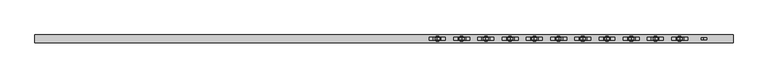
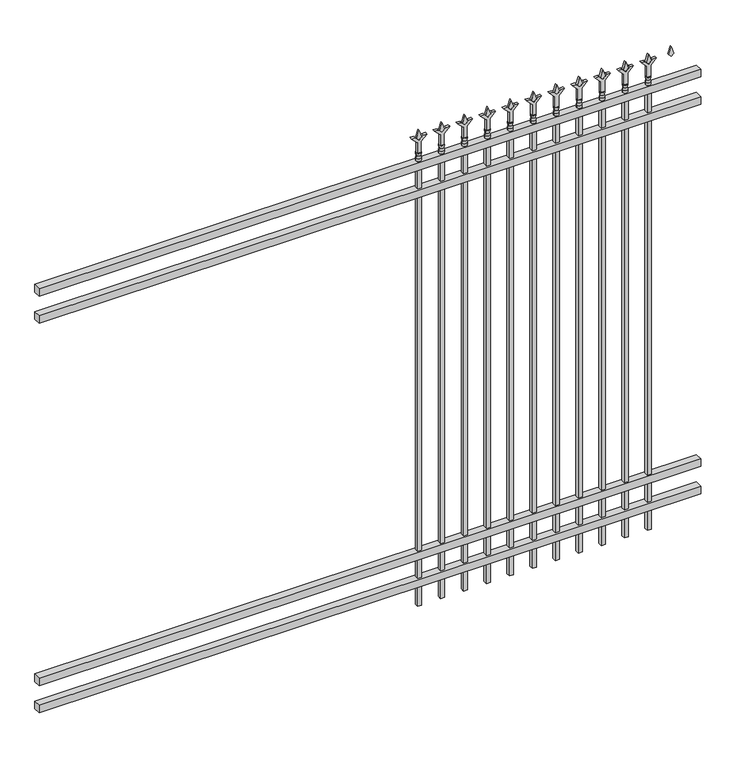
"""IFC4 building model written with IfcOpenShell, lengths in millimetres: railing geometry."""

import ifcopenshell
import ifcopenshell.guid

model = None  # the IFC model being written
_history = None  # IfcOwnerHistory: only IFC2X3 demands one
_inside = {}  # id of a spatial element -> (the spatial element, [elements in it])
_under = {}  # id of a project, library or spatial element -> (it, [spatial elements below it])
_declared = {}  # id of a project -> (the project, [libraries it declares])
_typed = {}  # id of a type object -> (the type object, [elements of that type])
_made_of = {}  # id of a material, layer set ... -> (it, [elements and type objects made of it])


def new_model(schema):
    """Start an empty IFC model of exactly this schema.

    Asked for "IFC4X3", IfcOpenShell would pick the latest addendum, in which some entities
    have other attributes; the version numbers below select the first issue.
    IFC2X3 requires an IfcOwnerHistory on every rooted entity: one is made here for all.
    """
    global model, _history
    if schema == "IFC4X3":
        model = ifcopenshell.file(schema_version=(4, 3, 0, 0))
    else:
        model = ifcopenshell.file(schema=schema)
    _inside.clear()
    _under.clear()
    _declared.clear()
    _typed.clear()
    _made_of.clear()
    _history = None
    if model.schema == "IFC2X3":
        org = make("IfcOrganization", Name="unknown")
        user = make(
            "IfcPersonAndOrganization",
            ThePerson=make("IfcPerson", FamilyName="unknown"),
            TheOrganization=org,
        )
        app = make(
            "IfcApplication",
            ApplicationDeveloper=org,
            Version="unknown",
            ApplicationFullName="unknown",
            ApplicationIdentifier="unknown",
        )
        _history = make(
            "IfcOwnerHistory",
            OwningUser=user,
            OwningApplication=app,
            ChangeAction="ADDED",
            CreationDate=0,
        )
    return model


def make(cls, **values):
    """One entity of the class cls with the attributes given. An attribute that is None is left unset."""
    return model.create_entity(
        cls, **{name: value for name, value in values.items() if value is not None}
    )


def rooted(cls, **values):
    """An entity with a GlobalId (a new one), such as an element, a storey or a relation."""
    return make(cls, GlobalId=ifcopenshell.guid.new(), OwnerHistory=_history, **values)


def si_unit(unit_type, name, prefix=None):
    """IfcSIUnit, for example si_unit("LENGTHUNIT", "METRE", prefix="MILLI")."""
    return make("IfcSIUnit", UnitType=unit_type, Prefix=prefix, Name=name)


def assignment(units):
    """IfcUnitAssignment: the units of a project."""
    return None if units is None else make("IfcUnitAssignment", Units=units)


def point(xyz):
    """IfcCartesianPoint."""
    return None if xyz is None else make("IfcCartesianPoint", Coordinates=xyz)


def direction(xyz):
    """IfcDirection."""
    return None if xyz is None else make("IfcDirection", DirectionRatios=xyz)


def frame(location, z_axis=None, x_axis=None):
    """IfcAxis2Placement3D, a coordinate frame: its origin and axes. An axis left out is left unset."""
    return make(
        "IfcAxis2Placement3D",
        Location=point(location),
        Axis=direction(z_axis),
        RefDirection=direction(x_axis),
    )


def origin():
    """The frame at (0, 0, 0) with its axes left unset."""
    return frame((0.0, 0.0, 0.0))


def place(relative_to, where):
    """IfcLocalPlacement: puts the frame where relative to a parent placement (None: the world)."""
    return make(
        "IfcLocalPlacement", PlacementRelTo=relative_to, RelativePlacement=where
    )


def context(
    kind, dimensions, precision=None, world=None, true_north=None, identifier=None
):
    """IfcGeometricRepresentationContext, for example the 3D "Model" context."""
    return make(
        "IfcGeometricRepresentationContext",
        ContextIdentifier=identifier,
        ContextType=kind,
        CoordinateSpaceDimension=dimensions,
        Precision=precision,
        WorldCoordinateSystem=world,
        TrueNorth=true_north,
    )


def project(units=None, contexts=None):
    """IfcProject with its units and contexts."""
    return rooted(
        "IfcProject",
        Name="project",
        RepresentationContexts=contexts,
        UnitsInContext=assignment(units),
    )


def spatial(cls, under=None, at=None, **own):
    """A site, building, storey or space (cls), placed at a placement, below another one or the project."""
    s = rooted(cls, ObjectPlacement=at, **own)
    if under is not None:
        _under.setdefault(under.id(), (under, []))[1].append(s)
    return s


def polyline(points):
    """IfcPolyline through the points."""
    return make("IfcPolyline", Points=[point(p) for p in points])


def circle_curve(where, radius):
    """IfcCircle in the frame where."""
    return make("IfcCircle", Position=where, Radius=radius)


def outline(outer, holes=None, kind="AREA"):
    """IfcArbitraryClosedProfileDef: a profile drawn as a closed curve; with holes, ...WithVoids."""
    if holes is None:
        return make("IfcArbitraryClosedProfileDef", ProfileType=kind, OuterCurve=outer)
    return make(
        "IfcArbitraryProfileDefWithVoids",
        ProfileType=kind,
        OuterCurve=outer,
        InnerCurves=holes,
    )


def extrude(swept, where, along, depth):
    """IfcExtrudedAreaSolid: the profile swept, set in the frame where, extruded along a direction by depth."""
    return make(
        "IfcExtrudedAreaSolid",
        SweptArea=swept,
        Position=where,
        ExtrudedDirection=direction(along),
        Depth=depth,
    )


def shape(context_of_items, identifier, shape_type, items):
    """IfcShapeRepresentation: the items that make up one representation, for example the "Body"."""
    return make(
        "IfcShapeRepresentation",
        ContextOfItems=context_of_items,
        RepresentationIdentifier=identifier,
        RepresentationType=shape_type,
        Items=items,
    )


def source(mapping_origin, context_of_items, identifier, shape_type, items):
    """IfcRepresentationMap: a shape defined once, which mapped items show again and again."""
    return make(
        "IfcRepresentationMap",
        MappingOrigin=mapping_origin,
        MappedRepresentation=shape(context_of_items, identifier, shape_type, items),
    )


def transform(
    local_origin,
    x_axis=None,
    y_axis=None,
    z_axis=None,
    scale=None,
    scale2=None,
    scale3=None,
    uniform=True,
):
    """IfcCartesianTransformationOperator3D, or its non-uniform kind. x_axis, y_axis, z_axis: its Axis1, 2, 3."""
    if uniform:
        return make(
            "IfcCartesianTransformationOperator3D",
            Axis1=direction(x_axis),
            Axis2=direction(y_axis),
            LocalOrigin=point(local_origin),
            Scale=scale,
            Axis3=direction(z_axis),
        )
    return make(
        "IfcCartesianTransformationOperator3DnonUniform",
        Axis1=direction(x_axis),
        Axis2=direction(y_axis),
        LocalOrigin=point(local_origin),
        Scale=scale,
        Axis3=direction(z_axis),
        Scale2=scale2,
        Scale3=scale3,
    )


def mapped(mapping_source, mapping_target):
    """IfcMappedItem: shows the shape of a source again, moved by a transform."""
    return make(
        "IfcMappedItem", MappingSource=mapping_source, MappingTarget=mapping_target
    )


def made_of(thing, what):
    """Note that an element or type object is made of a material, layer set ...; save() writes the relation."""
    if what is not None:
        _made_of.setdefault(what.id(), (what, []))[1].append(thing)
    return thing


def element(
    cls,
    number,
    at=None,
    inside=None,
    cuts=None,
    type_object=None,
    material=None,
    context=None,
    identifier="Body",
    shape_type=None,
    held_by="IfcProductDefinitionShape",
    body=None,
    shapes=None,
    **own,
):
    """One element of the class cls, such as IfcWall. Its Tag is "e" and its number.

    at: its placement. inside: the storey or other place that contains it. cuts: it is an
    opening in that element (IfcRelVoidsElement). A single representation is given by context,
    identifier, shape_type and body (its items); several are given by shapes. held_by: the class
    of the entity that holds the representations. save() writes the other relations.
    """
    e = rooted(cls, Tag="e%d" % number, ObjectPlacement=at, **own)
    if body is not None:
        shapes = [shape(context, identifier, shape_type, body)]
    if shapes is not None:
        e.Representation = make(held_by, Representations=shapes)
    if inside is not None:
        _inside.setdefault(inside.id(), (inside, []))[1].append(e)
    if cuts is not None:
        rooted(
            "IfcRelVoidsElement", RelatingBuildingElement=cuts, RelatedOpeningElement=e
        )
    if type_object is not None:
        _typed.setdefault(type_object.id(), (type_object, []))[1].append(e)
    return made_of(e, material)


def aggregate(whole, parts):
    """IfcRelAggregates: a whole, such as a stair, and the parts it consists of."""
    return rooted("IfcRelAggregates", RelatingObject=whole, RelatedObjects=parts)


def save(model, path):
    """Write the relations noted so far, then the file.

    IfcRelAggregates (storeys below a building ...), IfcRelContainedInSpatialStructure (elements
    in a storey), IfcRelDefinesByType, IfcRelAssociatesMaterial and IfcRelDeclares: one each for
    every whole, place, type object, material and project.
    """
    for whole, parts in _under.values():
        aggregate(whole, parts)
    for where, things in _inside.values():
        rooted(
            "IfcRelContainedInSpatialStructure",
            RelatedElements=things,
            RelatingStructure=where,
        )
    for kind, things in _typed.values():
        rooted("IfcRelDefinesByType", RelatedObjects=things, RelatingType=kind)
    for what, things in _made_of.values():
        rooted("IfcRelAssociatesMaterial", RelatedObjects=things, RelatingMaterial=what)
    for by, libraries in _declared.values():
        rooted("IfcRelDeclares", RelatingContext=by, RelatedDefinitions=libraries)
    model.write(path)


def plane_surface(at):
    """IfcPlane: the flat surface through the origin of the frame at, square to its z axis."""
    return make("IfcPlane", Position=at)


def cylinder_surface(at, radius):
    """IfcCylindricalSurface: all points at the distance radius from the z axis of the frame at."""
    return make("IfcCylindricalSurface", Position=at, Radius=radius)


def revolved_surface(curve, axis_point, axis_direction):
    """IfcSurfaceOfRevolution: the curve turned about the line through axis_point along axis_direction."""
    return make(
        "IfcSurfaceOfRevolution",
        SweptCurve=make("IfcArbitraryOpenProfileDef", ProfileType="CURVE", Curve=curve),
        AxisPosition=make("IfcAxis1Placement", Location=point(axis_point), Axis=direction(axis_direction)),
    )


def advanced_brep(points, edges, surfaces, faces):
    """IfcAdvancedBrep: a solid bounded by faces that lie on surfaces and meet in shared edges.

    An edge is (start, end): straight between two places in points (the first is 0);
    or (start, end, curve); or (start, end, curve, False) where it runs against its curve.
    A face is (place in surfaces, loops), or (place, loops, False) where it looks against
    its surface's normal. A loop lists edges by number (the first is 1), with a minus sign
    where the edge is run from its end to its start. The first loop is the outer one.
    """
    corners = [point(p) for p in points]
    vertices = [make("IfcVertexPoint", VertexGeometry=c) for c in corners]
    made = []
    for start, end, *more in edges:
        made.append(
            make(
                "IfcEdgeCurve",
                EdgeStart=vertices[start],
                EdgeEnd=vertices[end],
                EdgeGeometry=more[0] if more else make("IfcPolyline", Points=[corners[start], corners[end]]),
                SameSense=more[1] if len(more) > 1 else True,
            )
        )
    hull = []
    for where, loops, *sense in faces:
        bounds = []
        for j, loop in enumerate(loops):
            ring = [make("IfcOrientedEdge", EdgeElement=made[abs(k) - 1], Orientation=k > 0) for k in loop]
            bounds.append(
                make(
                    "IfcFaceOuterBound" if j == 0 else "IfcFaceBound",
                    Bound=make("IfcEdgeLoop", EdgeList=ring),
                    Orientation=True,
                )
            )
        hull.append(make("IfcAdvancedFace", Bounds=bounds, FaceSurface=surfaces[where], SameSense=sense[0] if sense else True))
    return make("IfcAdvancedBrep", Outer=make("IfcClosedShell", CfsFaces=hull))


def railing_9435c64b(model_context):
    return source(origin(), model_context, "Body", "SolidModel", [
        extrude(outline(polyline([(-55249.318087, -9187.1195174), (-55249.318087, -9152.1945174), (-52099.718087, -9152.1945174), (-52099.718087, -9187.1195174), (-55249.318087, -9187.1195174)])), frame((0.0, 0.0, 2247.9), z_axis=(0.0, 0.0, 1.0), x_axis=(1.0, 0.0, 0.0)), (0.0, 0.0, 1.0), 38.1),
        extrude(outline(polyline([(-55249.318087, -9187.1195174), (-55249.318087, -9152.1945174), (-52099.718087, -9152.1945174), (-52099.718087, -9187.1195174), (-55249.318087, -9187.1195174)])), frame((0.0, 0.0, 2111.375), z_axis=(0.0, 0.0, 1.0), x_axis=(1.0, 0.0, 0.0)), (0.0, 0.0, 1.0), 38.1),
        extrude(outline(polyline([(-55249.318087, -9187.1195174), (-55249.318087, -9152.1945174), (-52099.718087, -9152.1945174), (-52099.718087, -9187.1195174), (-55249.318087, -9187.1195174)])), frame((0.0, 0.0, 288.925), z_axis=(0.0, 0.0, 1.0), x_axis=(1.0, 0.0, 0.0)), (0.0, 0.0, 1.0), 38.1),
        extrude(outline(polyline([(-55249.318087, -9187.1195174), (-55249.318087, -9152.1945174), (-52099.718087, -9152.1945174), (-52099.718087, -9187.1195174), (-55249.318087, -9187.1195174)])), frame((0.0, 0.0, 152.4), z_axis=(0.0, 0.0, 1.0), x_axis=(1.0, 0.0, 0.0)), (0.0, 0.0, 1.0), 38.1),
        extrude(outline(polyline([(2402.68125, -52328.8472536), (2438.4, -52340.7535036), (2402.68125, -52352.6597536), (2390.775, -52340.7535036), (2402.68125, -52328.8472536)])), frame((0.0, -9174.4195174, 0.0), z_axis=(0.0, 1.0, 0.0), x_axis=(0.0, 0.0, 1.0)), (0.0, 0.0, 1.0), 9.525),
        extrude(outline(polyline([(2327.275, -52332.0222536), (2381.5457378, -52332.0222536), (2408.7355122, -52304.8324791), (2408.7355122, -52322.7929914), (2390.775, -52340.7535036), (2408.7355122, -52358.7140159), (2408.7355122, -52376.6745281), (2381.5457378, -52349.4847536), (2327.275, -52349.4847536), (2327.275, -52332.0222536)])), frame((0.0, -9176.0070174, 0.0), z_axis=(0.0, 1.0, 0.0), x_axis=(0.0, 0.0, 1.0)), (0.0, 0.0, 1.0), 12.7),
        advanced_brep(
        [(-52328.8472536, -9169.6570174, 2298.7), (-52352.6597536, -9169.6570174, 2298.7), (-52352.6597536, -9169.6570174, 2286.0), (-52328.8472536, -9169.6570174, 2286.0), (-52331.0525855, -9169.6570174, 2311.2070585), (-52350.4544218, -9169.6570174, 2311.2070585), (-52328.8472536, -9169.6570174, 2327.275), (-52352.6597536, -9169.6570174, 2327.275), (-52340.7535036, -9169.6570174, 2327.275), (-52340.7535036, -9169.6570174, 2286.0)],
        [
            (0, 1, circle_curve(frame((-52340.7535036, -9169.6570174, 2298.7), z_axis=(0.0, 0.0, -1.0), x_axis=(-1.0, 0.0, 0.0)), 11.90625)),
            (1, 2),
            (2, 3, circle_curve(frame((-52340.7535036, -9169.6570174, 2286.0), z_axis=(0.0, 0.0, 1.0), x_axis=(-1.0, 0.0, 0.0)), 11.90625)),
            (3, 0),
            (1, 0, circle_curve(frame((-52340.7535036, -9169.6570174, 2298.7), z_axis=(0.0, 0.0, -1.0), x_axis=(-1.0, 0.0, 0.0)), 11.90625)),
            (3, 2, circle_curve(frame((-52340.7535036, -9169.6570174, 2286.0), z_axis=(0.0, 0.0, 1.0), x_axis=(-1.0, 0.0, 0.0)), 11.90625)),
            (4, 5, circle_curve(frame((-52340.7535036, -9169.6570174, 2311.2070585), z_axis=(0.0, 0.0, -1.0), x_axis=(-1.0, 0.0, 0.0)), 9.7009181)),
            (5, 1),
            (0, 4),
            (5, 4, circle_curve(frame((-52340.7535036, -9169.6570174, 2311.2070585), z_axis=(0.0, 0.0, -1.0), x_axis=(-1.0, 0.0, 0.0)), 9.7009181)),
            (6, 7, circle_curve(frame((-52340.7535036, -9169.6570174, 2327.275), z_axis=(0.0, 0.0, -1.0), x_axis=(-1.0, 0.0, 0.0)), 11.90625)),
            (7, 5),
            (4, 6),
            (7, 6, circle_curve(frame((-52340.7535036, -9169.6570174, 2327.275), z_axis=(0.0, 0.0, -1.0), x_axis=(-1.0, 0.0, 0.0)), 11.90625)),
            (8, 7),
            (6, 8),
            (2, 9),
            (9, 3),
        ],
        [
            cylinder_surface(frame((-52340.7535036, -9169.6570174, 2286.0), z_axis=(0.0, 0.0, 1.0), x_axis=(-1.0, 0.0, 0.0)), 11.90625),
            revolved_surface(polyline([(-52352.6597536, -9169.6570174, 2298.7), (-52350.4544218, -9169.6570174, 2311.2070585)]), (-52340.7535036, -9169.6570174, 2286.0), (0.0, 0.0, 1.0)),
            revolved_surface(polyline([(-52350.4544218, -9169.6570174, 2311.2070585), (-52352.6597536, -9169.6570174, 2327.275)]), (-52340.7535036, -9169.6570174, 2286.0), (0.0, 0.0, 1.0)),
            plane_surface(frame((-52340.7535036, -9169.6570174, 2327.275), z_axis=(0.0, 0.0, 1.0), x_axis=(-1.0, 0.0, 0.0))),
            plane_surface(frame((-52340.7535036, -9169.6570174, 2286.0), z_axis=(0.0, 0.0, -1.0), x_axis=(-1.0, 0.0, 0.0))),
        ],
        [
            (0, [[1, 2, 3, 4]]),
            (0, [[5, -4, 6, -2]]),
            (1, [[7, 8, -1, 9]]),
            (1, [[10, -9, -5, -8]]),
            (2, [[11, 12, -7, 13]]),
            (2, [[14, -13, -10, -12]]),
            (3, [[15, -11, 16]]),
            (3, [[-16, -14, -15]]),
            (4, [[-3, 17, 18]]),
            (4, [[-6, -18, -17]]),
        ],
    ),
        extrude(outline(polyline([(-52350.2785036, -9160.1320174), (-52331.2285036, -9160.1320174), (-52331.2285036, -9179.1820174), (-52350.2785036, -9179.1820174), (-52350.2785036, -9160.1320174)])), frame((0.0, 0.0, 50.8), z_axis=(0.0, 0.0, 1.0), x_axis=(1.0, 0.0, 0.0)), (0.0, 0.0, 1.0), 2235.2),
        extrude(outline(polyline([(2402.68125, -52438.1201703), (2438.4, -52450.0264203), (2402.68125, -52461.9326703), (2390.775, -52450.0264203), (2402.68125, -52438.1201703)])), frame((0.0, -9174.4195174, 0.0), z_axis=(0.0, 1.0, 0.0), x_axis=(0.0, 0.0, 1.0)), (0.0, 0.0, 1.0), 9.525),
        extrude(outline(polyline([(2327.275, -52441.2951703), (2381.5457378, -52441.2951703), (2408.7355122, -52414.1053958), (2408.7355122, -52432.0659081), (2390.775, -52450.0264203), (2408.7355122, -52467.9869325), (2408.7355122, -52485.9474448), (2381.5457378, -52458.7576703), (2327.275, -52458.7576703), (2327.275, -52441.2951703)])), frame((0.0, -9176.0070174, 0.0), z_axis=(0.0, 1.0, 0.0), x_axis=(0.0, 0.0, 1.0)), (0.0, 0.0, 1.0), 12.7),
        advanced_brep(
        [(-52438.1201703, -9169.6570174, 2298.7), (-52461.9326703, -9169.6570174, 2298.7), (-52461.9326703, -9169.6570174, 2286.0), (-52438.1201703, -9169.6570174, 2286.0), (-52440.3255022, -9169.6570174, 2311.2070585), (-52459.7273384, -9169.6570174, 2311.2070585), (-52438.1201703, -9169.6570174, 2327.275), (-52461.9326703, -9169.6570174, 2327.275), (-52450.0264203, -9169.6570174, 2327.275), (-52450.0264203, -9169.6570174, 2286.0)],
        [
            (0, 1, circle_curve(frame((-52450.0264203, -9169.6570174, 2298.7), z_axis=(0.0, 0.0, -1.0), x_axis=(-1.0, 0.0, 0.0)), 11.90625)),
            (1, 2),
            (2, 3, circle_curve(frame((-52450.0264203, -9169.6570174, 2286.0), z_axis=(0.0, 0.0, 1.0), x_axis=(-1.0, 0.0, 0.0)), 11.90625)),
            (3, 0),
            (1, 0, circle_curve(frame((-52450.0264203, -9169.6570174, 2298.7), z_axis=(0.0, 0.0, -1.0), x_axis=(-1.0, 0.0, 0.0)), 11.90625)),
            (3, 2, circle_curve(frame((-52450.0264203, -9169.6570174, 2286.0), z_axis=(0.0, 0.0, 1.0), x_axis=(-1.0, 0.0, 0.0)), 11.90625)),
            (4, 5, circle_curve(frame((-52450.0264203, -9169.6570174, 2311.2070585), z_axis=(0.0, 0.0, -1.0), x_axis=(-1.0, 0.0, 0.0)), 9.7009181)),
            (5, 1),
            (0, 4),
            (5, 4, circle_curve(frame((-52450.0264203, -9169.6570174, 2311.2070585), z_axis=(0.0, 0.0, -1.0), x_axis=(-1.0, 0.0, 0.0)), 9.7009181)),
            (6, 7, circle_curve(frame((-52450.0264203, -9169.6570174, 2327.275), z_axis=(0.0, 0.0, -1.0), x_axis=(-1.0, 0.0, 0.0)), 11.90625)),
            (7, 5),
            (4, 6),
            (7, 6, circle_curve(frame((-52450.0264203, -9169.6570174, 2327.275), z_axis=(0.0, 0.0, -1.0), x_axis=(-1.0, 0.0, 0.0)), 11.90625)),
            (8, 7),
            (6, 8),
            (2, 9),
            (9, 3),
        ],
        [
            cylinder_surface(frame((-52450.0264203, -9169.6570174, 2286.0), z_axis=(0.0, 0.0, 1.0), x_axis=(-1.0, 0.0, 0.0)), 11.90625),
            revolved_surface(polyline([(-52461.9326703, -9169.6570174, 2298.7), (-52459.7273384, -9169.6570174, 2311.2070585)]), (-52450.0264203, -9169.6570174, 2286.0), (0.0, 0.0, 1.0)),
            revolved_surface(polyline([(-52459.7273384, -9169.6570174, 2311.2070585), (-52461.9326703, -9169.6570174, 2327.275)]), (-52450.0264203, -9169.6570174, 2286.0), (0.0, 0.0, 1.0)),
            plane_surface(frame((-52450.0264203, -9169.6570174, 2327.275), z_axis=(0.0, 0.0, 1.0), x_axis=(-1.0, 0.0, 0.0))),
            plane_surface(frame((-52450.0264203, -9169.6570174, 2286.0), z_axis=(0.0, 0.0, -1.0), x_axis=(-1.0, 0.0, 0.0))),
        ],
        [
            (0, [[1, 2, 3, 4]]),
            (0, [[5, -4, 6, -2]]),
            (1, [[7, 8, -1, 9]]),
            (1, [[10, -9, -5, -8]]),
            (2, [[11, 12, -7, 13]]),
            (2, [[14, -13, -10, -12]]),
            (3, [[15, -11, 16]]),
            (3, [[-16, -14, -15]]),
            (4, [[-3, 17, 18]]),
            (4, [[-6, -18, -17]]),
        ],
    ),
        extrude(outline(polyline([(-52459.5514203, -9160.1320174), (-52440.5014203, -9160.1320174), (-52440.5014203, -9179.1820174), (-52459.5514203, -9179.1820174), (-52459.5514203, -9160.1320174)])), frame((0.0, 0.0, 50.8), z_axis=(0.0, 0.0, 1.0), x_axis=(1.0, 0.0, 0.0)), (0.0, 0.0, 1.0), 2235.2),
        extrude(outline(polyline([(2402.68125, -52547.393087), (2438.4, -52559.299337), (2402.68125, -52571.205587), (2390.775, -52559.299337), (2402.68125, -52547.393087)])), frame((0.0, -9174.4195174, 0.0), z_axis=(0.0, 1.0, 0.0), x_axis=(0.0, 0.0, 1.0)), (0.0, 0.0, 1.0), 9.525),
        extrude(outline(polyline([(2327.275, -52550.568087), (2381.5457378, -52550.568087), (2408.7355122, -52523.3783125), (2408.7355122, -52541.3388247), (2390.775, -52559.299337), (2408.7355122, -52577.2598492), (2408.7355122, -52595.2203614), (2381.5457378, -52568.030587), (2327.275, -52568.030587), (2327.275, -52550.568087)])), frame((0.0, -9176.0070174, 0.0), z_axis=(0.0, 1.0, 0.0), x_axis=(0.0, 0.0, 1.0)), (0.0, 0.0, 1.0), 12.7),
        advanced_brep(
        [(-52547.393087, -9169.6570174, 2298.7), (-52571.205587, -9169.6570174, 2298.7), (-52571.205587, -9169.6570174, 2286.0), (-52547.393087, -9169.6570174, 2286.0), (-52549.5984188, -9169.6570174, 2311.2070585), (-52569.0002551, -9169.6570174, 2311.2070585), (-52547.393087, -9169.6570174, 2327.275), (-52571.205587, -9169.6570174, 2327.275), (-52559.299337, -9169.6570174, 2327.275), (-52559.299337, -9169.6570174, 2286.0)],
        [
            (0, 1, circle_curve(frame((-52559.299337, -9169.6570174, 2298.7), z_axis=(0.0, 0.0, -1.0), x_axis=(-1.0, 0.0, 0.0)), 11.90625)),
            (1, 2),
            (2, 3, circle_curve(frame((-52559.299337, -9169.6570174, 2286.0), z_axis=(0.0, 0.0, 1.0), x_axis=(-1.0, 0.0, 0.0)), 11.90625)),
            (3, 0),
            (1, 0, circle_curve(frame((-52559.299337, -9169.6570174, 2298.7), z_axis=(0.0, 0.0, -1.0), x_axis=(-1.0, 0.0, 0.0)), 11.90625)),
            (3, 2, circle_curve(frame((-52559.299337, -9169.6570174, 2286.0), z_axis=(0.0, 0.0, 1.0), x_axis=(-1.0, 0.0, 0.0)), 11.90625)),
            (4, 5, circle_curve(frame((-52559.299337, -9169.6570174, 2311.2070585), z_axis=(0.0, 0.0, -1.0), x_axis=(-1.0, 0.0, 0.0)), 9.7009181)),
            (5, 1),
            (0, 4),
            (5, 4, circle_curve(frame((-52559.299337, -9169.6570174, 2311.2070585), z_axis=(0.0, 0.0, -1.0), x_axis=(-1.0, 0.0, 0.0)), 9.7009181)),
            (6, 7, circle_curve(frame((-52559.299337, -9169.6570174, 2327.275), z_axis=(0.0, 0.0, -1.0), x_axis=(-1.0, 0.0, 0.0)), 11.90625)),
            (7, 5),
            (4, 6),
            (7, 6, circle_curve(frame((-52559.299337, -9169.6570174, 2327.275), z_axis=(0.0, 0.0, -1.0), x_axis=(-1.0, 0.0, 0.0)), 11.90625)),
            (8, 7),
            (6, 8),
            (2, 9),
            (9, 3),
        ],
        [
            cylinder_surface(frame((-52559.299337, -9169.6570174, 2286.0), z_axis=(0.0, 0.0, 1.0), x_axis=(-1.0, 0.0, 0.0)), 11.90625),
            revolved_surface(polyline([(-52571.205587, -9169.6570174, 2298.7), (-52569.0002551, -9169.6570174, 2311.2070585)]), (-52559.299337, -9169.6570174, 2286.0), (0.0, 0.0, 1.0)),
            revolved_surface(polyline([(-52569.0002551, -9169.6570174, 2311.2070585), (-52571.205587, -9169.6570174, 2327.275)]), (-52559.299337, -9169.6570174, 2286.0), (0.0, 0.0, 1.0)),
            plane_surface(frame((-52559.299337, -9169.6570174, 2327.275), z_axis=(0.0, 0.0, 1.0), x_axis=(-1.0, 0.0, 0.0))),
            plane_surface(frame((-52559.299337, -9169.6570174, 2286.0), z_axis=(0.0, 0.0, -1.0), x_axis=(-1.0, 0.0, 0.0))),
        ],
        [
            (0, [[1, 2, 3, 4]]),
            (0, [[5, -4, 6, -2]]),
            (1, [[7, 8, -1, 9]]),
            (1, [[10, -9, -5, -8]]),
            (2, [[11, 12, -7, 13]]),
            (2, [[14, -13, -10, -12]]),
            (3, [[15, -11, 16]]),
            (3, [[-16, -14, -15]]),
            (4, [[-3, 17, 18]]),
            (4, [[-6, -18, -17]]),
        ],
    ),
        extrude(outline(polyline([(-52568.824337, -9160.1320174), (-52549.774337, -9160.1320174), (-52549.774337, -9179.1820174), (-52568.824337, -9179.1820174), (-52568.824337, -9160.1320174)])), frame((0.0, 0.0, 50.8), z_axis=(0.0, 0.0, 1.0), x_axis=(1.0, 0.0, 0.0)), (0.0, 0.0, 1.0), 2235.2),
        extrude(outline(polyline([(2402.68125, -52656.6660036), (2438.4, -52668.5722536), (2402.68125, -52680.4785036), (2390.775, -52668.5722536), (2402.68125, -52656.6660036)])), frame((0.0, -9174.4195174, 0.0), z_axis=(0.0, 1.0, 0.0), x_axis=(0.0, 0.0, 1.0)), (0.0, 0.0, 1.0), 9.525),
        extrude(outline(polyline([(2327.275, -52659.8410036), (2381.5457378, -52659.8410036), (2408.7355122, -52632.6512291), (2408.7355122, -52650.6117414), (2390.775, -52668.5722536), (2408.7355122, -52686.5327659), (2408.7355122, -52704.4932781), (2381.5457378, -52677.3035036), (2327.275, -52677.3035036), (2327.275, -52659.8410036)])), frame((0.0, -9176.0070174, 0.0), z_axis=(0.0, 1.0, 0.0), x_axis=(0.0, 0.0, 1.0)), (0.0, 0.0, 1.0), 12.7),
        advanced_brep(
        [(-52656.6660036, -9169.6570174, 2298.7), (-52680.4785036, -9169.6570174, 2298.7), (-52680.4785036, -9169.6570174, 2286.0), (-52656.6660036, -9169.6570174, 2286.0), (-52658.8713355, -9169.6570174, 2311.2070585), (-52678.2731718, -9169.6570174, 2311.2070585), (-52656.6660036, -9169.6570174, 2327.275), (-52680.4785036, -9169.6570174, 2327.275), (-52668.5722536, -9169.6570174, 2327.275), (-52668.5722536, -9169.6570174, 2286.0)],
        [
            (0, 1, circle_curve(frame((-52668.5722536, -9169.6570174, 2298.7), z_axis=(0.0, 0.0, -1.0), x_axis=(-1.0, 0.0, 0.0)), 11.90625)),
            (1, 2),
            (2, 3, circle_curve(frame((-52668.5722536, -9169.6570174, 2286.0), z_axis=(0.0, 0.0, 1.0), x_axis=(-1.0, 0.0, 0.0)), 11.90625)),
            (3, 0),
            (1, 0, circle_curve(frame((-52668.5722536, -9169.6570174, 2298.7), z_axis=(0.0, 0.0, -1.0), x_axis=(-1.0, 0.0, 0.0)), 11.90625)),
            (3, 2, circle_curve(frame((-52668.5722536, -9169.6570174, 2286.0), z_axis=(0.0, 0.0, 1.0), x_axis=(-1.0, 0.0, 0.0)), 11.90625)),
            (4, 5, circle_curve(frame((-52668.5722536, -9169.6570174, 2311.2070585), z_axis=(0.0, 0.0, -1.0), x_axis=(-1.0, 0.0, 0.0)), 9.7009181)),
            (5, 1),
            (0, 4),
            (5, 4, circle_curve(frame((-52668.5722536, -9169.6570174, 2311.2070585), z_axis=(0.0, 0.0, -1.0), x_axis=(-1.0, 0.0, 0.0)), 9.7009181)),
            (6, 7, circle_curve(frame((-52668.5722536, -9169.6570174, 2327.275), z_axis=(0.0, 0.0, -1.0), x_axis=(-1.0, 0.0, 0.0)), 11.90625)),
            (7, 5),
            (4, 6),
            (7, 6, circle_curve(frame((-52668.5722536, -9169.6570174, 2327.275), z_axis=(0.0, 0.0, -1.0), x_axis=(-1.0, 0.0, 0.0)), 11.90625)),
            (8, 7),
            (6, 8),
            (2, 9),
            (9, 3),
        ],
        [
            cylinder_surface(frame((-52668.5722536, -9169.6570174, 2286.0), z_axis=(0.0, 0.0, 1.0), x_axis=(-1.0, 0.0, 0.0)), 11.90625),
            revolved_surface(polyline([(-52680.4785036, -9169.6570174, 2298.7), (-52678.2731718, -9169.6570174, 2311.2070585)]), (-52668.5722536, -9169.6570174, 2286.0), (0.0, 0.0, 1.0)),
            revolved_surface(polyline([(-52678.2731718, -9169.6570174, 2311.2070585), (-52680.4785036, -9169.6570174, 2327.275)]), (-52668.5722536, -9169.6570174, 2286.0), (0.0, 0.0, 1.0)),
            plane_surface(frame((-52668.5722536, -9169.6570174, 2327.275), z_axis=(0.0, 0.0, 1.0), x_axis=(-1.0, 0.0, 0.0))),
            plane_surface(frame((-52668.5722536, -9169.6570174, 2286.0), z_axis=(0.0, 0.0, -1.0), x_axis=(-1.0, 0.0, 0.0))),
        ],
        [
            (0, [[1, 2, 3, 4]]),
            (0, [[5, -4, 6, -2]]),
            (1, [[7, 8, -1, 9]]),
            (1, [[10, -9, -5, -8]]),
            (2, [[11, 12, -7, 13]]),
            (2, [[14, -13, -10, -12]]),
            (3, [[15, -11, 16]]),
            (3, [[-16, -14, -15]]),
            (4, [[-3, 17, 18]]),
            (4, [[-6, -18, -17]]),
        ],
    ),
        extrude(outline(polyline([(-52678.0972536, -9160.1320174), (-52659.0472536, -9160.1320174), (-52659.0472536, -9179.1820174), (-52678.0972536, -9179.1820174), (-52678.0972536, -9160.1320174)])), frame((0.0, 0.0, 50.8), z_axis=(0.0, 0.0, 1.0), x_axis=(1.0, 0.0, 0.0)), (0.0, 0.0, 1.0), 2235.2),
        extrude(outline(polyline([(2402.68125, -52765.9389203), (2438.4, -52777.8451703), (2402.68125, -52789.7514203), (2390.775, -52777.8451703), (2402.68125, -52765.9389203)])), frame((0.0, -9174.4195174, 0.0), z_axis=(0.0, 1.0, 0.0), x_axis=(0.0, 0.0, 1.0)), (0.0, 0.0, 1.0), 9.525),
        extrude(outline(polyline([(2327.275, -52769.1139203), (2381.5457378, -52769.1139203), (2408.7355122, -52741.9241458), (2408.7355122, -52759.8846581), (2390.775, -52777.8451703), (2408.7355122, -52795.8056825), (2408.7355122, -52813.7661948), (2381.5457378, -52786.5764203), (2327.275, -52786.5764203), (2327.275, -52769.1139203)])), frame((0.0, -9176.0070174, 0.0), z_axis=(0.0, 1.0, 0.0), x_axis=(0.0, 0.0, 1.0)), (0.0, 0.0, 1.0), 12.7),
        advanced_brep(
        [(-52765.9389203, -9169.6570174, 2298.7), (-52789.7514203, -9169.6570174, 2298.7), (-52789.7514203, -9169.6570174, 2286.0), (-52765.9389203, -9169.6570174, 2286.0), (-52768.1442522, -9169.6570174, 2311.2070585), (-52787.5460884, -9169.6570174, 2311.2070585), (-52765.9389203, -9169.6570174, 2327.275), (-52789.7514203, -9169.6570174, 2327.275), (-52777.8451703, -9169.6570174, 2327.275), (-52777.8451703, -9169.6570174, 2286.0)],
        [
            (0, 1, circle_curve(frame((-52777.8451703, -9169.6570174, 2298.7), z_axis=(0.0, 0.0, -1.0), x_axis=(-1.0, 0.0, 0.0)), 11.90625)),
            (1, 2),
            (2, 3, circle_curve(frame((-52777.8451703, -9169.6570174, 2286.0), z_axis=(0.0, 0.0, 1.0), x_axis=(-1.0, 0.0, 0.0)), 11.90625)),
            (3, 0),
            (1, 0, circle_curve(frame((-52777.8451703, -9169.6570174, 2298.7), z_axis=(0.0, 0.0, -1.0), x_axis=(-1.0, 0.0, 0.0)), 11.90625)),
            (3, 2, circle_curve(frame((-52777.8451703, -9169.6570174, 2286.0), z_axis=(0.0, 0.0, 1.0), x_axis=(-1.0, 0.0, 0.0)), 11.90625)),
            (4, 5, circle_curve(frame((-52777.8451703, -9169.6570174, 2311.2070585), z_axis=(0.0, 0.0, -1.0), x_axis=(-1.0, 0.0, 0.0)), 9.7009181)),
            (5, 1),
            (0, 4),
            (5, 4, circle_curve(frame((-52777.8451703, -9169.6570174, 2311.2070585), z_axis=(0.0, 0.0, -1.0), x_axis=(-1.0, 0.0, 0.0)), 9.7009181)),
            (6, 7, circle_curve(frame((-52777.8451703, -9169.6570174, 2327.275), z_axis=(0.0, 0.0, -1.0), x_axis=(-1.0, 0.0, 0.0)), 11.90625)),
            (7, 5),
            (4, 6),
            (7, 6, circle_curve(frame((-52777.8451703, -9169.6570174, 2327.275), z_axis=(0.0, 0.0, -1.0), x_axis=(-1.0, 0.0, 0.0)), 11.90625)),
            (8, 7),
            (6, 8),
            (2, 9),
            (9, 3),
        ],
        [
            cylinder_surface(frame((-52777.8451703, -9169.6570174, 2286.0), z_axis=(0.0, 0.0, 1.0), x_axis=(-1.0, 0.0, 0.0)), 11.90625),
            revolved_surface(polyline([(-52789.7514203, -9169.6570174, 2298.7), (-52787.5460884, -9169.6570174, 2311.2070585)]), (-52777.8451703, -9169.6570174, 2286.0), (0.0, 0.0, 1.0)),
            revolved_surface(polyline([(-52787.5460884, -9169.6570174, 2311.2070585), (-52789.7514203, -9169.6570174, 2327.275)]), (-52777.8451703, -9169.6570174, 2286.0), (0.0, 0.0, 1.0)),
            plane_surface(frame((-52777.8451703, -9169.6570174, 2327.275), z_axis=(0.0, 0.0, 1.0), x_axis=(-1.0, 0.0, 0.0))),
            plane_surface(frame((-52777.8451703, -9169.6570174, 2286.0), z_axis=(0.0, 0.0, -1.0), x_axis=(-1.0, 0.0, 0.0))),
        ],
        [
            (0, [[1, 2, 3, 4]]),
            (0, [[5, -4, 6, -2]]),
            (1, [[7, 8, -1, 9]]),
            (1, [[10, -9, -5, -8]]),
            (2, [[11, 12, -7, 13]]),
            (2, [[14, -13, -10, -12]]),
            (3, [[15, -11, 16]]),
            (3, [[-16, -14, -15]]),
            (4, [[-3, 17, 18]]),
            (4, [[-6, -18, -17]]),
        ],
    ),
        extrude(outline(polyline([(-52787.3701703, -9160.1320174), (-52768.3201703, -9160.1320174), (-52768.3201703, -9179.1820174), (-52787.3701703, -9179.1820174), (-52787.3701703, -9160.1320174)])), frame((0.0, 0.0, 50.8), z_axis=(0.0, 0.0, 1.0), x_axis=(1.0, 0.0, 0.0)), (0.0, 0.0, 1.0), 2235.2),
        extrude(outline(polyline([(2402.68125, -52875.211837), (2438.4, -52887.118087), (2402.68125, -52899.024337), (2390.775, -52887.118087), (2402.68125, -52875.211837)])), frame((0.0, -9174.4195174, 0.0), z_axis=(0.0, 1.0, 0.0), x_axis=(0.0, 0.0, 1.0)), (0.0, 0.0, 1.0), 9.525),
        extrude(outline(polyline([(2327.275, -52878.386837), (2381.5457378, -52878.386837), (2408.7355122, -52851.1970625), (2408.7355122, -52869.1575747), (2390.775, -52887.118087), (2408.7355122, -52905.0785992), (2408.7355122, -52923.0391114), (2381.5457378, -52895.849337), (2327.275, -52895.849337), (2327.275, -52878.386837)])), frame((0.0, -9176.0070174, 0.0), z_axis=(0.0, 1.0, 0.0), x_axis=(0.0, 0.0, 1.0)), (0.0, 0.0, 1.0), 12.7),
        advanced_brep(
        [(-52875.211837, -9169.6570174, 2298.7), (-52899.024337, -9169.6570174, 2298.7), (-52899.024337, -9169.6570174, 2286.0), (-52875.211837, -9169.6570174, 2286.0), (-52877.4171688, -9169.6570174, 2311.2070585), (-52896.8190051, -9169.6570174, 2311.2070585), (-52875.211837, -9169.6570174, 2327.275), (-52899.024337, -9169.6570174, 2327.275), (-52887.118087, -9169.6570174, 2327.275), (-52887.118087, -9169.6570174, 2286.0)],
        [
            (0, 1, circle_curve(frame((-52887.118087, -9169.6570174, 2298.7), z_axis=(0.0, 0.0, -1.0), x_axis=(-1.0, 0.0, 0.0)), 11.90625)),
            (1, 2),
            (2, 3, circle_curve(frame((-52887.118087, -9169.6570174, 2286.0), z_axis=(0.0, 0.0, 1.0), x_axis=(-1.0, 0.0, 0.0)), 11.90625)),
            (3, 0),
            (1, 0, circle_curve(frame((-52887.118087, -9169.6570174, 2298.7), z_axis=(0.0, 0.0, -1.0), x_axis=(-1.0, 0.0, 0.0)), 11.90625)),
            (3, 2, circle_curve(frame((-52887.118087, -9169.6570174, 2286.0), z_axis=(0.0, 0.0, 1.0), x_axis=(-1.0, 0.0, 0.0)), 11.90625)),
            (4, 5, circle_curve(frame((-52887.118087, -9169.6570174, 2311.2070585), z_axis=(0.0, 0.0, -1.0), x_axis=(-1.0, 0.0, 0.0)), 9.7009181)),
            (5, 1),
            (0, 4),
            (5, 4, circle_curve(frame((-52887.118087, -9169.6570174, 2311.2070585), z_axis=(0.0, 0.0, -1.0), x_axis=(-1.0, 0.0, 0.0)), 9.7009181)),
            (6, 7, circle_curve(frame((-52887.118087, -9169.6570174, 2327.275), z_axis=(0.0, 0.0, -1.0), x_axis=(-1.0, 0.0, 0.0)), 11.90625)),
            (7, 5),
            (4, 6),
            (7, 6, circle_curve(frame((-52887.118087, -9169.6570174, 2327.275), z_axis=(0.0, 0.0, -1.0), x_axis=(-1.0, 0.0, 0.0)), 11.90625)),
            (8, 7),
            (6, 8),
            (2, 9),
            (9, 3),
        ],
        [
            cylinder_surface(frame((-52887.118087, -9169.6570174, 2286.0), z_axis=(0.0, 0.0, 1.0), x_axis=(-1.0, 0.0, 0.0)), 11.90625),
            revolved_surface(polyline([(-52899.024337, -9169.6570174, 2298.7), (-52896.8190051, -9169.6570174, 2311.2070585)]), (-52887.118087, -9169.6570174, 2286.0), (0.0, 0.0, 1.0)),
            revolved_surface(polyline([(-52896.8190051, -9169.6570174, 2311.2070585), (-52899.024337, -9169.6570174, 2327.275)]), (-52887.118087, -9169.6570174, 2286.0), (0.0, 0.0, 1.0)),
            plane_surface(frame((-52887.118087, -9169.6570174, 2327.275), z_axis=(0.0, 0.0, 1.0), x_axis=(-1.0, 0.0, 0.0))),
            plane_surface(frame((-52887.118087, -9169.6570174, 2286.0), z_axis=(0.0, 0.0, -1.0), x_axis=(-1.0, 0.0, 0.0))),
        ],
        [
            (0, [[1, 2, 3, 4]]),
            (0, [[5, -4, 6, -2]]),
            (1, [[7, 8, -1, 9]]),
            (1, [[10, -9, -5, -8]]),
            (2, [[11, 12, -7, 13]]),
            (2, [[14, -13, -10, -12]]),
            (3, [[15, -11, 16]]),
            (3, [[-16, -14, -15]]),
            (4, [[-3, 17, 18]]),
            (4, [[-6, -18, -17]]),
        ],
    ),
        extrude(outline(polyline([(-52896.643087, -9160.1320174), (-52877.593087, -9160.1320174), (-52877.593087, -9179.1820174), (-52896.643087, -9179.1820174), (-52896.643087, -9160.1320174)])), frame((0.0, 0.0, 50.8), z_axis=(0.0, 0.0, 1.0), x_axis=(1.0, 0.0, 0.0)), (0.0, 0.0, 1.0), 2235.2),
        extrude(outline(polyline([(2402.68125, -52984.4847536), (2438.4, -52996.3910036), (2402.68125, -53008.2972536), (2390.775, -52996.3910036), (2402.68125, -52984.4847536)])), frame((0.0, -9174.4195174, 0.0), z_axis=(0.0, 1.0, 0.0), x_axis=(0.0, 0.0, 1.0)), (0.0, 0.0, 1.0), 9.525),
        extrude(outline(polyline([(2327.275, -52987.6597536), (2381.5457378, -52987.6597536), (2408.7355122, -52960.4699791), (2408.7355122, -52978.4304914), (2390.775, -52996.3910036), (2408.7355122, -53014.3515159), (2408.7355122, -53032.3120281), (2381.5457378, -53005.1222536), (2327.275, -53005.1222536), (2327.275, -52987.6597536)])), frame((0.0, -9176.0070174, 0.0), z_axis=(0.0, 1.0, 0.0), x_axis=(0.0, 0.0, 1.0)), (0.0, 0.0, 1.0), 12.7),
        advanced_brep(
        [(-52984.4847536, -9169.6570174, 2298.7), (-53008.2972536, -9169.6570174, 2298.7), (-53008.2972536, -9169.6570174, 2286.0), (-52984.4847536, -9169.6570174, 2286.0), (-52986.6900855, -9169.6570174, 2311.2070585), (-53006.0919218, -9169.6570174, 2311.2070585), (-52984.4847536, -9169.6570174, 2327.275), (-53008.2972536, -9169.6570174, 2327.275), (-52996.3910036, -9169.6570174, 2327.275), (-52996.3910036, -9169.6570174, 2286.0)],
        [
            (0, 1, circle_curve(frame((-52996.3910036, -9169.6570174, 2298.7), z_axis=(0.0, 0.0, -1.0), x_axis=(-1.0, 0.0, 0.0)), 11.90625)),
            (1, 2),
            (2, 3, circle_curve(frame((-52996.3910036, -9169.6570174, 2286.0), z_axis=(0.0, 0.0, 1.0), x_axis=(-1.0, 0.0, 0.0)), 11.90625)),
            (3, 0),
            (1, 0, circle_curve(frame((-52996.3910036, -9169.6570174, 2298.7), z_axis=(0.0, 0.0, -1.0), x_axis=(-1.0, 0.0, 0.0)), 11.90625)),
            (3, 2, circle_curve(frame((-52996.3910036, -9169.6570174, 2286.0), z_axis=(0.0, 0.0, 1.0), x_axis=(-1.0, 0.0, 0.0)), 11.90625)),
            (4, 5, circle_curve(frame((-52996.3910036, -9169.6570174, 2311.2070585), z_axis=(0.0, 0.0, -1.0), x_axis=(-1.0, 0.0, 0.0)), 9.7009181)),
            (5, 1),
            (0, 4),
            (5, 4, circle_curve(frame((-52996.3910036, -9169.6570174, 2311.2070585), z_axis=(0.0, 0.0, -1.0), x_axis=(-1.0, 0.0, 0.0)), 9.7009181)),
            (6, 7, circle_curve(frame((-52996.3910036, -9169.6570174, 2327.275), z_axis=(0.0, 0.0, -1.0), x_axis=(-1.0, 0.0, 0.0)), 11.90625)),
            (7, 5),
            (4, 6),
            (7, 6, circle_curve(frame((-52996.3910036, -9169.6570174, 2327.275), z_axis=(0.0, 0.0, -1.0), x_axis=(-1.0, 0.0, 0.0)), 11.90625)),
            (8, 7),
            (6, 8),
            (2, 9),
            (9, 3),
        ],
        [
            cylinder_surface(frame((-52996.3910036, -9169.6570174, 2286.0), z_axis=(0.0, 0.0, 1.0), x_axis=(-1.0, 0.0, 0.0)), 11.90625),
            revolved_surface(polyline([(-53008.2972536, -9169.6570174, 2298.7), (-53006.0919218, -9169.6570174, 2311.2070585)]), (-52996.3910036, -9169.6570174, 2286.0), (0.0, 0.0, 1.0)),
            revolved_surface(polyline([(-53006.0919218, -9169.6570174, 2311.2070585), (-53008.2972536, -9169.6570174, 2327.275)]), (-52996.3910036, -9169.6570174, 2286.0), (0.0, 0.0, 1.0)),
            plane_surface(frame((-52996.3910036, -9169.6570174, 2327.275), z_axis=(0.0, 0.0, 1.0), x_axis=(-1.0, 0.0, 0.0))),
            plane_surface(frame((-52996.3910036, -9169.6570174, 2286.0), z_axis=(0.0, 0.0, -1.0), x_axis=(-1.0, 0.0, 0.0))),
        ],
        [
            (0, [[1, 2, 3, 4]]),
            (0, [[5, -4, 6, -2]]),
            (1, [[7, 8, -1, 9]]),
            (1, [[10, -9, -5, -8]]),
            (2, [[11, 12, -7, 13]]),
            (2, [[14, -13, -10, -12]]),
            (3, [[15, -11, 16]]),
            (3, [[-16, -14, -15]]),
            (4, [[-3, 17, 18]]),
            (4, [[-6, -18, -17]]),
        ],
    ),
        extrude(outline(polyline([(-53005.9160036, -9160.1320174), (-52986.8660036, -9160.1320174), (-52986.8660036, -9179.1820174), (-53005.9160036, -9179.1820174), (-53005.9160036, -9160.1320174)])), frame((0.0, 0.0, 50.8), z_axis=(0.0, 0.0, 1.0), x_axis=(1.0, 0.0, 0.0)), (0.0, 0.0, 1.0), 2235.2),
        extrude(outline(polyline([(2402.68125, -53093.7576703), (2438.4, -53105.6639203), (2402.68125, -53117.5701703), (2390.775, -53105.6639203), (2402.68125, -53093.7576703)])), frame((0.0, -9174.4195174, 0.0), z_axis=(0.0, 1.0, 0.0), x_axis=(0.0, 0.0, 1.0)), (0.0, 0.0, 1.0), 9.525),
        extrude(outline(polyline([(2327.275, -53096.9326703), (2381.5457378, -53096.9326703), (2408.7355122, -53069.7428958), (2408.7355122, -53087.7034081), (2390.775, -53105.6639203), (2408.7355122, -53123.6244325), (2408.7355122, -53141.5849448), (2381.5457378, -53114.3951703), (2327.275, -53114.3951703), (2327.275, -53096.9326703)])), frame((0.0, -9176.0070174, 0.0), z_axis=(0.0, 1.0, 0.0), x_axis=(0.0, 0.0, 1.0)), (0.0, 0.0, 1.0), 12.7),
        advanced_brep(
        [(-53093.7576703, -9169.6570174, 2298.7), (-53117.5701703, -9169.6570174, 2298.7), (-53117.5701703, -9169.6570174, 2286.0), (-53093.7576703, -9169.6570174, 2286.0), (-53095.9630022, -9169.6570174, 2311.2070585), (-53115.3648384, -9169.6570174, 2311.2070585), (-53093.7576703, -9169.6570174, 2327.275), (-53117.5701703, -9169.6570174, 2327.275), (-53105.6639203, -9169.6570174, 2327.275), (-53105.6639203, -9169.6570174, 2286.0)],
        [
            (0, 1, circle_curve(frame((-53105.6639203, -9169.6570174, 2298.7), z_axis=(0.0, 0.0, -1.0), x_axis=(-1.0, 0.0, 0.0)), 11.90625)),
            (1, 2),
            (2, 3, circle_curve(frame((-53105.6639203, -9169.6570174, 2286.0), z_axis=(0.0, 0.0, 1.0), x_axis=(-1.0, 0.0, 0.0)), 11.90625)),
            (3, 0),
            (1, 0, circle_curve(frame((-53105.6639203, -9169.6570174, 2298.7), z_axis=(0.0, 0.0, -1.0), x_axis=(-1.0, 0.0, 0.0)), 11.90625)),
            (3, 2, circle_curve(frame((-53105.6639203, -9169.6570174, 2286.0), z_axis=(0.0, 0.0, 1.0), x_axis=(-1.0, 0.0, 0.0)), 11.90625)),
            (4, 5, circle_curve(frame((-53105.6639203, -9169.6570174, 2311.2070585), z_axis=(0.0, 0.0, -1.0), x_axis=(-1.0, 0.0, 0.0)), 9.7009181)),
            (5, 1),
            (0, 4),
            (5, 4, circle_curve(frame((-53105.6639203, -9169.6570174, 2311.2070585), z_axis=(0.0, 0.0, -1.0), x_axis=(-1.0, 0.0, 0.0)), 9.7009181)),
            (6, 7, circle_curve(frame((-53105.6639203, -9169.6570174, 2327.275), z_axis=(0.0, 0.0, -1.0), x_axis=(-1.0, 0.0, 0.0)), 11.90625)),
            (7, 5),
            (4, 6),
            (7, 6, circle_curve(frame((-53105.6639203, -9169.6570174, 2327.275), z_axis=(0.0, 0.0, -1.0), x_axis=(-1.0, 0.0, 0.0)), 11.90625)),
            (8, 7),
            (6, 8),
            (2, 9),
            (9, 3),
        ],
        [
            cylinder_surface(frame((-53105.6639203, -9169.6570174, 2286.0), z_axis=(0.0, 0.0, 1.0), x_axis=(-1.0, 0.0, 0.0)), 11.90625),
            revolved_surface(polyline([(-53117.5701703, -9169.6570174, 2298.7), (-53115.3648384, -9169.6570174, 2311.2070585)]), (-53105.6639203, -9169.6570174, 2286.0), (0.0, 0.0, 1.0)),
            revolved_surface(polyline([(-53115.3648384, -9169.6570174, 2311.2070585), (-53117.5701703, -9169.6570174, 2327.275)]), (-53105.6639203, -9169.6570174, 2286.0), (0.0, 0.0, 1.0)),
            plane_surface(frame((-53105.6639203, -9169.6570174, 2327.275), z_axis=(0.0, 0.0, 1.0), x_axis=(-1.0, 0.0, 0.0))),
            plane_surface(frame((-53105.6639203, -9169.6570174, 2286.0), z_axis=(0.0, 0.0, -1.0), x_axis=(-1.0, 0.0, 0.0))),
        ],
        [
            (0, [[1, 2, 3, 4]]),
            (0, [[5, -4, 6, -2]]),
            (1, [[7, 8, -1, 9]]),
            (1, [[10, -9, -5, -8]]),
            (2, [[11, 12, -7, 13]]),
            (2, [[14, -13, -10, -12]]),
            (3, [[15, -11, 16]]),
            (3, [[-16, -14, -15]]),
            (4, [[-3, 17, 18]]),
            (4, [[-6, -18, -17]]),
        ],
    ),
        extrude(outline(polyline([(-53115.1889203, -9160.1320174), (-53096.1389203, -9160.1320174), (-53096.1389203, -9179.1820174), (-53115.1889203, -9179.1820174), (-53115.1889203, -9160.1320174)])), frame((0.0, 0.0, 50.8), z_axis=(0.0, 0.0, 1.0), x_axis=(1.0, 0.0, 0.0)), (0.0, 0.0, 1.0), 2235.2),
        extrude(outline(polyline([(2402.68125, -53203.030587), (2438.4, -53214.936837), (2402.68125, -53226.843087), (2390.775, -53214.936837), (2402.68125, -53203.030587)])), frame((0.0, -9174.4195174, 0.0), z_axis=(0.0, 1.0, 0.0), x_axis=(0.0, 0.0, 1.0)), (0.0, 0.0, 1.0), 9.525),
        extrude(outline(polyline([(2327.275, -53206.205587), (2381.5457378, -53206.205587), (2408.7355122, -53179.0158125), (2408.7355122, -53196.9763247), (2390.775, -53214.936837), (2408.7355122, -53232.8973492), (2408.7355122, -53250.8578614), (2381.5457378, -53223.668087), (2327.275, -53223.668087), (2327.275, -53206.205587)])), frame((0.0, -9176.0070174, 0.0), z_axis=(0.0, 1.0, 0.0), x_axis=(0.0, 0.0, 1.0)), (0.0, 0.0, 1.0), 12.7),
        advanced_brep(
        [(-53203.030587, -9169.6570174, 2298.7), (-53226.843087, -9169.6570174, 2298.7), (-53226.843087, -9169.6570174, 2286.0), (-53203.030587, -9169.6570174, 2286.0), (-53205.2359188, -9169.6570174, 2311.2070585), (-53224.6377551, -9169.6570174, 2311.2070585), (-53203.030587, -9169.6570174, 2327.275), (-53226.843087, -9169.6570174, 2327.275), (-53214.936837, -9169.6570174, 2327.275), (-53214.936837, -9169.6570174, 2286.0)],
        [
            (0, 1, circle_curve(frame((-53214.936837, -9169.6570174, 2298.7), z_axis=(0.0, 0.0, -1.0), x_axis=(-1.0, 0.0, 0.0)), 11.90625)),
            (1, 2),
            (2, 3, circle_curve(frame((-53214.936837, -9169.6570174, 2286.0), z_axis=(0.0, 0.0, 1.0), x_axis=(-1.0, 0.0, 0.0)), 11.90625)),
            (3, 0),
            (1, 0, circle_curve(frame((-53214.936837, -9169.6570174, 2298.7), z_axis=(0.0, 0.0, -1.0), x_axis=(-1.0, 0.0, 0.0)), 11.90625)),
            (3, 2, circle_curve(frame((-53214.936837, -9169.6570174, 2286.0), z_axis=(0.0, 0.0, 1.0), x_axis=(-1.0, 0.0, 0.0)), 11.90625)),
            (4, 5, circle_curve(frame((-53214.936837, -9169.6570174, 2311.2070585), z_axis=(0.0, 0.0, -1.0), x_axis=(-1.0, 0.0, 0.0)), 9.7009181)),
            (5, 1),
            (0, 4),
            (5, 4, circle_curve(frame((-53214.936837, -9169.6570174, 2311.2070585), z_axis=(0.0, 0.0, -1.0), x_axis=(-1.0, 0.0, 0.0)), 9.7009181)),
            (6, 7, circle_curve(frame((-53214.936837, -9169.6570174, 2327.275), z_axis=(0.0, 0.0, -1.0), x_axis=(-1.0, 0.0, 0.0)), 11.90625)),
            (7, 5),
            (4, 6),
            (7, 6, circle_curve(frame((-53214.936837, -9169.6570174, 2327.275), z_axis=(0.0, 0.0, -1.0), x_axis=(-1.0, 0.0, 0.0)), 11.90625)),
            (8, 7),
            (6, 8),
            (2, 9),
            (9, 3),
        ],
        [
            cylinder_surface(frame((-53214.936837, -9169.6570174, 2286.0), z_axis=(0.0, 0.0, 1.0), x_axis=(-1.0, 0.0, 0.0)), 11.90625),
            revolved_surface(polyline([(-53226.843087, -9169.6570174, 2298.7), (-53224.6377551, -9169.6570174, 2311.2070585)]), (-53214.936837, -9169.6570174, 2286.0), (0.0, 0.0, 1.0)),
            revolved_surface(polyline([(-53224.6377551, -9169.6570174, 2311.2070585), (-53226.843087, -9169.6570174, 2327.275)]), (-53214.936837, -9169.6570174, 2286.0), (0.0, 0.0, 1.0)),
            plane_surface(frame((-53214.936837, -9169.6570174, 2327.275), z_axis=(0.0, 0.0, 1.0), x_axis=(-1.0, 0.0, 0.0))),
            plane_surface(frame((-53214.936837, -9169.6570174, 2286.0), z_axis=(0.0, 0.0, -1.0), x_axis=(-1.0, 0.0, 0.0))),
        ],
        [
            (0, [[1, 2, 3, 4]]),
            (0, [[5, -4, 6, -2]]),
            (1, [[7, 8, -1, 9]]),
            (1, [[10, -9, -5, -8]]),
            (2, [[11, 12, -7, 13]]),
            (2, [[14, -13, -10, -12]]),
            (3, [[15, -11, 16]]),
            (3, [[-16, -14, -15]]),
            (4, [[-3, 17, 18]]),
            (4, [[-6, -18, -17]]),
        ],
    ),
        extrude(outline(polyline([(-53224.461837, -9160.1320174), (-53205.411837, -9160.1320174), (-53205.411837, -9179.1820174), (-53224.461837, -9179.1820174), (-53224.461837, -9160.1320174)])), frame((0.0, 0.0, 50.8), z_axis=(0.0, 0.0, 1.0), x_axis=(1.0, 0.0, 0.0)), (0.0, 0.0, 1.0), 2235.2),
        extrude(outline(polyline([(2402.68125, -53312.3035036), (2438.4, -53324.2097536), (2402.68125, -53336.1160036), (2390.775, -53324.2097536), (2402.68125, -53312.3035036)])), frame((0.0, -9174.4195174, 0.0), z_axis=(0.0, 1.0, 0.0), x_axis=(0.0, 0.0, 1.0)), (0.0, 0.0, 1.0), 9.525),
        extrude(outline(polyline([(2327.275, -53315.4785036), (2381.5457378, -53315.4785036), (2408.7355122, -53288.2887291), (2408.7355122, -53306.2492414), (2390.775, -53324.2097536), (2408.7355122, -53342.1702659), (2408.7355122, -53360.1307781), (2381.5457378, -53332.9410036), (2327.275, -53332.9410036), (2327.275, -53315.4785036)])), frame((0.0, -9176.0070174, 0.0), z_axis=(0.0, 1.0, 0.0), x_axis=(0.0, 0.0, 1.0)), (0.0, 0.0, 1.0), 12.7),
        advanced_brep(
        [(-53312.3035036, -9169.6570174, 2298.7), (-53336.1160036, -9169.6570174, 2298.7), (-53336.1160036, -9169.6570174, 2286.0), (-53312.3035036, -9169.6570174, 2286.0), (-53314.5088355, -9169.6570174, 2311.2070585), (-53333.9106718, -9169.6570174, 2311.2070585), (-53312.3035036, -9169.6570174, 2327.275), (-53336.1160036, -9169.6570174, 2327.275), (-53324.2097536, -9169.6570174, 2327.275), (-53324.2097536, -9169.6570174, 2286.0)],
        [
            (0, 1, circle_curve(frame((-53324.2097536, -9169.6570174, 2298.7), z_axis=(0.0, 0.0, -1.0), x_axis=(-1.0, 0.0, 0.0)), 11.90625)),
            (1, 2),
            (2, 3, circle_curve(frame((-53324.2097536, -9169.6570174, 2286.0), z_axis=(0.0, 0.0, 1.0), x_axis=(-1.0, 0.0, 0.0)), 11.90625)),
            (3, 0),
            (1, 0, circle_curve(frame((-53324.2097536, -9169.6570174, 2298.7), z_axis=(0.0, 0.0, -1.0), x_axis=(-1.0, 0.0, 0.0)), 11.90625)),
            (3, 2, circle_curve(frame((-53324.2097536, -9169.6570174, 2286.0), z_axis=(0.0, 0.0, 1.0), x_axis=(-1.0, 0.0, 0.0)), 11.90625)),
            (4, 5, circle_curve(frame((-53324.2097536, -9169.6570174, 2311.2070585), z_axis=(0.0, 0.0, -1.0), x_axis=(-1.0, 0.0, 0.0)), 9.7009181)),
            (5, 1),
            (0, 4),
            (5, 4, circle_curve(frame((-53324.2097536, -9169.6570174, 2311.2070585), z_axis=(0.0, 0.0, -1.0), x_axis=(-1.0, 0.0, 0.0)), 9.7009181)),
            (6, 7, circle_curve(frame((-53324.2097536, -9169.6570174, 2327.275), z_axis=(0.0, 0.0, -1.0), x_axis=(-1.0, 0.0, 0.0)), 11.90625)),
            (7, 5),
            (4, 6),
            (7, 6, circle_curve(frame((-53324.2097536, -9169.6570174, 2327.275), z_axis=(0.0, 0.0, -1.0), x_axis=(-1.0, 0.0, 0.0)), 11.90625)),
            (8, 7),
            (6, 8),
            (2, 9),
            (9, 3),
        ],
        [
            cylinder_surface(frame((-53324.2097536, -9169.6570174, 2286.0), z_axis=(0.0, 0.0, 1.0), x_axis=(-1.0, 0.0, 0.0)), 11.90625),
            revolved_surface(polyline([(-53336.1160036, -9169.6570174, 2298.7), (-53333.9106718, -9169.6570174, 2311.2070585)]), (-53324.2097536, -9169.6570174, 2286.0), (0.0, 0.0, 1.0)),
            revolved_surface(polyline([(-53333.9106718, -9169.6570174, 2311.2070585), (-53336.1160036, -9169.6570174, 2327.275)]), (-53324.2097536, -9169.6570174, 2286.0), (0.0, 0.0, 1.0)),
            plane_surface(frame((-53324.2097536, -9169.6570174, 2327.275), z_axis=(0.0, 0.0, 1.0), x_axis=(-1.0, 0.0, 0.0))),
            plane_surface(frame((-53324.2097536, -9169.6570174, 2286.0), z_axis=(0.0, 0.0, -1.0), x_axis=(-1.0, 0.0, 0.0))),
        ],
        [
            (0, [[1, 2, 3, 4]]),
            (0, [[5, -4, 6, -2]]),
            (1, [[7, 8, -1, 9]]),
            (1, [[10, -9, -5, -8]]),
            (2, [[11, 12, -7, 13]]),
            (2, [[14, -13, -10, -12]]),
            (3, [[15, -11, 16]]),
            (3, [[-16, -14, -15]]),
            (4, [[-3, 17, 18]]),
            (4, [[-6, -18, -17]]),
        ],
    ),
        extrude(outline(polyline([(-53333.7347536, -9160.1320174), (-53314.6847536, -9160.1320174), (-53314.6847536, -9179.1820174), (-53333.7347536, -9179.1820174), (-53333.7347536, -9160.1320174)])), frame((0.0, 0.0, 50.8), z_axis=(0.0, 0.0, 1.0), x_axis=(1.0, 0.0, 0.0)), (0.0, 0.0, 1.0), 2235.2),
        extrude(outline(polyline([(2402.68125, -53421.5764203), (2438.4, -53433.4826703), (2402.68125, -53445.3889203), (2390.775, -53433.4826703), (2402.68125, -53421.5764203)])), frame((0.0, -9174.4195174, 0.0), z_axis=(0.0, 1.0, 0.0), x_axis=(0.0, 0.0, 1.0)), (0.0, 0.0, 1.0), 9.525),
        extrude(outline(polyline([(2327.275, -53424.7514203), (2381.5457378, -53424.7514203), (2408.7355122, -53397.5616458), (2408.7355122, -53415.5221581), (2390.775, -53433.4826703), (2408.7355122, -53451.4431825), (2408.7355122, -53469.4036948), (2381.5457378, -53442.2139203), (2327.275, -53442.2139203), (2327.275, -53424.7514203)])), frame((0.0, -9176.0070174, 0.0), z_axis=(0.0, 1.0, 0.0), x_axis=(0.0, 0.0, 1.0)), (0.0, 0.0, 1.0), 12.7),
        advanced_brep(
        [(-53421.5764203, -9169.6570174, 2298.7), (-53445.3889203, -9169.6570174, 2298.7), (-53445.3889203, -9169.6570174, 2286.0), (-53421.5764203, -9169.6570174, 2286.0), (-53423.7817522, -9169.6570174, 2311.2070585), (-53443.1835884, -9169.6570174, 2311.2070585), (-53421.5764203, -9169.6570174, 2327.275), (-53445.3889203, -9169.6570174, 2327.275), (-53433.4826703, -9169.6570174, 2327.275), (-53433.4826703, -9169.6570174, 2286.0)],
        [
            (0, 1, circle_curve(frame((-53433.4826703, -9169.6570174, 2298.7), z_axis=(0.0, 0.0, -1.0), x_axis=(-1.0, 0.0, 0.0)), 11.90625)),
            (1, 2),
            (2, 3, circle_curve(frame((-53433.4826703, -9169.6570174, 2286.0), z_axis=(0.0, 0.0, 1.0), x_axis=(-1.0, 0.0, 0.0)), 11.90625)),
            (3, 0),
            (1, 0, circle_curve(frame((-53433.4826703, -9169.6570174, 2298.7), z_axis=(0.0, 0.0, -1.0), x_axis=(-1.0, 0.0, 0.0)), 11.90625)),
            (3, 2, circle_curve(frame((-53433.4826703, -9169.6570174, 2286.0), z_axis=(0.0, 0.0, 1.0), x_axis=(-1.0, 0.0, 0.0)), 11.90625)),
            (4, 5, circle_curve(frame((-53433.4826703, -9169.6570174, 2311.2070585), z_axis=(0.0, 0.0, -1.0), x_axis=(-1.0, 0.0, 0.0)), 9.7009181)),
            (5, 1),
            (0, 4),
            (5, 4, circle_curve(frame((-53433.4826703, -9169.6570174, 2311.2070585), z_axis=(0.0, 0.0, -1.0), x_axis=(-1.0, 0.0, 0.0)), 9.7009181)),
            (6, 7, circle_curve(frame((-53433.4826703, -9169.6570174, 2327.275), z_axis=(0.0, 0.0, -1.0), x_axis=(-1.0, 0.0, 0.0)), 11.90625)),
            (7, 5),
            (4, 6),
            (7, 6, circle_curve(frame((-53433.4826703, -9169.6570174, 2327.275), z_axis=(0.0, 0.0, -1.0), x_axis=(-1.0, 0.0, 0.0)), 11.90625)),
            (8, 7),
            (6, 8),
            (2, 9),
            (9, 3),
        ],
        [
            cylinder_surface(frame((-53433.4826703, -9169.6570174, 2286.0), z_axis=(0.0, 0.0, 1.0), x_axis=(-1.0, 0.0, 0.0)), 11.90625),
            revolved_surface(polyline([(-53445.3889203, -9169.6570174, 2298.7), (-53443.1835884, -9169.6570174, 2311.2070585)]), (-53433.4826703, -9169.6570174, 2286.0), (0.0, 0.0, 1.0)),
            revolved_surface(polyline([(-53443.1835884, -9169.6570174, 2311.2070585), (-53445.3889203, -9169.6570174, 2327.275)]), (-53433.4826703, -9169.6570174, 2286.0), (0.0, 0.0, 1.0)),
            plane_surface(frame((-53433.4826703, -9169.6570174, 2327.275), z_axis=(0.0, 0.0, 1.0), x_axis=(-1.0, 0.0, 0.0))),
            plane_surface(frame((-53433.4826703, -9169.6570174, 2286.0), z_axis=(0.0, 0.0, -1.0), x_axis=(-1.0, 0.0, 0.0))),
        ],
        [
            (0, [[1, 2, 3, 4]]),
            (0, [[5, -4, 6, -2]]),
            (1, [[7, 8, -1, 9]]),
            (1, [[10, -9, -5, -8]]),
            (2, [[11, 12, -7, 13]]),
            (2, [[14, -13, -10, -12]]),
            (3, [[15, -11, 16]]),
            (3, [[-16, -14, -15]]),
            (4, [[-3, 17, 18]]),
            (4, [[-6, -18, -17]]),
        ],
    ),
        extrude(outline(polyline([(-53443.0076703, -9160.1320174), (-53423.9576703, -9160.1320174), (-53423.9576703, -9179.1820174), (-53443.0076703, -9179.1820174), (-53443.0076703, -9160.1320174)])), frame((0.0, 0.0, 50.8), z_axis=(0.0, 0.0, 1.0), x_axis=(1.0, 0.0, 0.0)), (0.0, 0.0, 1.0), 2235.2),
        extrude(outline(polyline([(2402.68125, -52219.574337), (2438.4, -52231.480587), (2402.68125, -52243.386837), (2390.775, -52231.480587), (2402.68125, -52219.574337)])), frame((0.0, -9174.4195174, 0.0), z_axis=(0.0, 1.0, 0.0), x_axis=(0.0, 0.0, 1.0)), (0.0, 0.0, 1.0), 9.525),
    ])


if __name__ == "__main__":
    model = new_model("IFC4")
    model_context = context("Model", 3, world=origin())
    ifc_project = project(units=[si_unit("LENGTHUNIT", "METRE", prefix="MILLI")], contexts=[model_context])
    site = spatial("IfcSite", under=ifc_project)
    building = spatial("IfcBuilding", under=site)
    placement = place(None, origin())
    railing_shape = railing_9435c64b(model_context)
    element("IfcRailing", 1, at=placement, inside=building, context=model_context, shape_type="MappedRepresentation", body=[
        mapped(railing_shape, transform((0.0, 0.0, 0.0), x_axis=(1.0, 0.0, 0.0), y_axis=(0.0, 1.0, 0.0), z_axis=(0.0, 0.0, 1.0))),
    ])
    save(model, "model.ifc")
